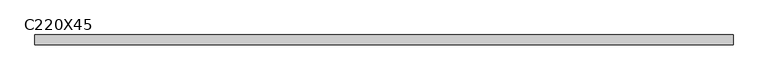
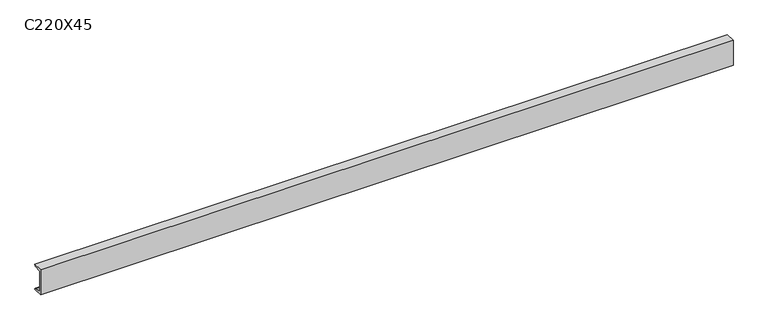
"""IFC4 building model written with IfcOpenShell, lengths in millimetres: beam geometry, C220X45."""

from ifc_helpers import new_model, si_unit, point, frame, frame_2d, origin, place, context, project, spatial, polyline, circle_curve, trimmed, segment, composite_curve, outline, extrude, source, transform, mapped, element, save


def c220x45_d77c0797(model_context):
    return source(origin(), model_context, "Body", "SweptSolid", [
        extrude(outline(composite_curve([segment(polyline([(-17.0, 110.0), (64.0, 110.0)]), True, "CONTINUOUS"), segment(trimmed(circle_curve(frame_2d((51.0, 110.0)), 13.0), [point((64.0, 110.0))], [point((51.0, 97.0))], False, "CARTESIAN"), True, "CONTINUOUS"), segment(polyline([(51.0, 97.0), (-4.0, 88.2888558), (-4.0, -88.2888558), (51.0, -97.0)]), True, "CONTINUOUS"), segment(trimmed(circle_curve(frame_2d((51.0, -110.0)), 13.0), [point((51.0, -97.0))], [point((64.0, -110.0))], False, "CARTESIAN"), True, "CONTINUOUS"), segment(polyline([(64.0, -110.0), (-17.0, -110.0), (-17.0, 110.0)]), True, "CONTINUOUS")], self_intersect=False)), frame((-2921.7032142, 0.0, 0.0), z_axis=(1.0, 0.0, 0.0), x_axis=(0.0, 1.0, 0.0)), (0.0, 0.0, 1.0), 5777.2032142),
    ])


if __name__ == "__main__":
    model = new_model("IFC4")
    model_context = context("Model", 3, world=origin())
    ifc_project = project(units=[si_unit("LENGTHUNIT", "METRE", prefix="MILLI")], contexts=[model_context])
    site = spatial("IfcSite", under=ifc_project)
    building = spatial("IfcBuilding", under=site)
    placement = place(None, origin())
    c220x45_shape = c220x45_d77c0797(model_context)
    element("IfcBeam", 1, ObjectType="C220X45", at=placement, inside=building, context=model_context, shape_type="MappedRepresentation", body=[
        mapped(c220x45_shape, transform((0.0, 0.0, 0.0), x_axis=(1.0, 0.0, 0.0), y_axis=(0.0, 1.0, 0.0), z_axis=(0.0, 0.0, 1.0))),
    ])
    save(model, "model.ifc")
